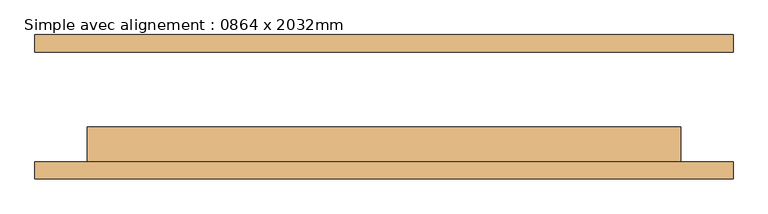
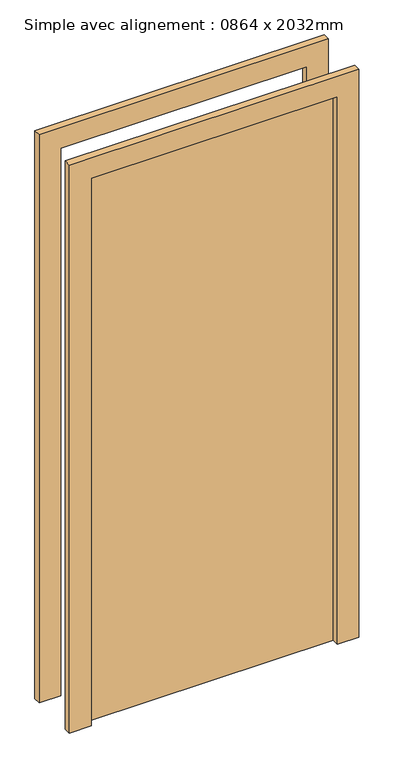
"""IFC4 building model written with IfcOpenShell, lengths in millimetres: door geometry, Simple avec alignement : 0864 x 2032mm."""

from ifc_helpers import new_model, si_unit, frame, origin, origin_with_axes, place, context, project, spatial, polyline, outline, extrude, source, transform, mapped, element, save


def simple_avec_alignement_0864_x_2032mm_76ab4baa(model_context):
    return source(origin(), model_context, "Body", "SweptSolid", [
        extrude(outline(polyline([(2108.0, -508.0), (0.0, -508.0), (0.0, -432.0), (2032.0, -432.0), (2032.0, 432.0), (0.0, 432.0), (0.0, 508.0), (2108.0, 508.0), (2108.0, -508.0)])), frame((0.0, -105.0, 0.0), z_axis=(0.0, 1.0, 0.0), x_axis=(0.0, 0.0, 1.0)), (0.0, 0.0, 1.0), 25.0),
        extrude(outline(polyline([(2108.0, 508.0), (2108.0, -508.0), (0.0, -508.0), (0.0, -432.0), (2032.0, -432.0), (2032.0, 432.0), (0.0, 432.0), (0.0, 508.0), (2108.0, 508.0)])), frame((0.0, 80.0, 0.0), z_axis=(0.0, 1.0, 0.0), x_axis=(0.0, 0.0, 1.0)), (0.0, 0.0, 1.0), 25.0),
        extrude(outline(polyline([(432.0, -29.0), (432.0, -80.0), (-432.0, -80.0), (-432.0, -29.0), (432.0, -29.0)])), origin_with_axes(), (0.0, 0.0, 1.0), 2032.0),
    ])


if __name__ == "__main__":
    model = new_model("IFC4")
    model_context = context("Model", 3, world=origin())
    ifc_project = project(units=[si_unit("LENGTHUNIT", "METRE", prefix="MILLI")], contexts=[model_context])
    site = spatial("IfcSite", under=ifc_project)
    building = spatial("IfcBuilding", under=site)
    placement = place(None, origin())
    simple_avec_alignement_0864_x_2032mm_shape = simple_avec_alignement_0864_x_2032mm_76ab4baa(model_context)
    element("IfcDoor", 1, ObjectType="Simple avec alignement : 0864 x 2032mm", at=placement, inside=building, context=model_context, shape_type="MappedRepresentation", body=[
        mapped(simple_avec_alignement_0864_x_2032mm_shape, transform((0.0, 0.0, 0.0), x_axis=(1.0, 0.0, 0.0), y_axis=(0.0, 1.0, 0.0), z_axis=(0.0, 0.0, 1.0))),
    ])
    save(model, "model.ifc")
